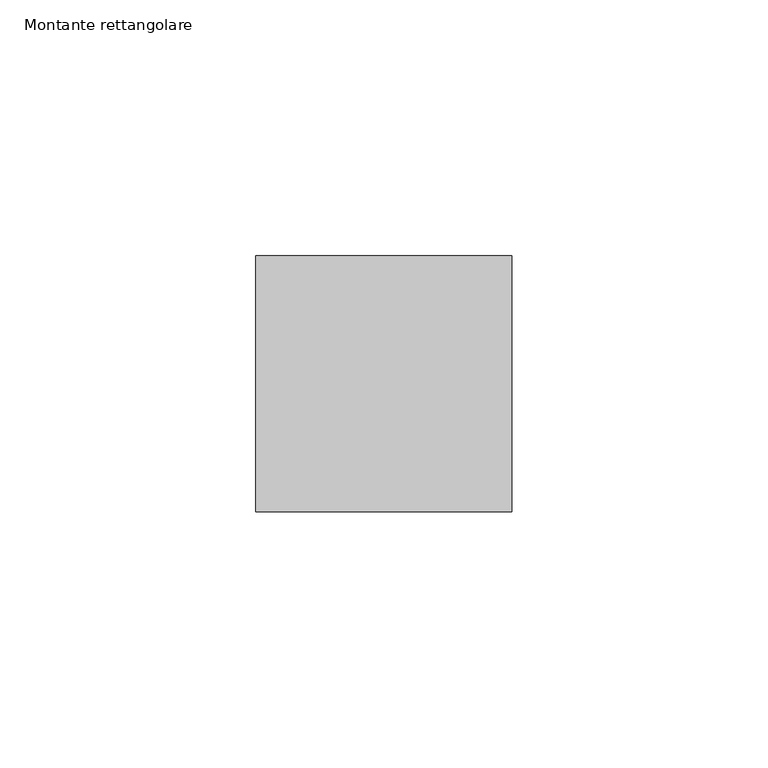
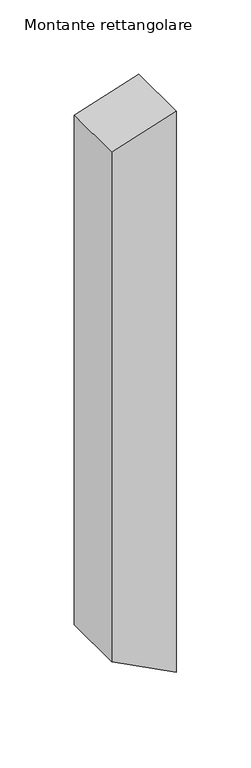
"""IFC4 building model written with IfcOpenShell, lengths in millimetres: member geometry, Montante rettangolare."""

from ifc_helpers import new_model, si_unit, frame, origin, place, context, project, spatial, polyline, outline, extrude, source, transform, mapped, element, save


def montante_rettangolare_10f6373e(model_context):
    return source(origin(), model_context, "Body", "SweptSolid", [
        extrude(outline(polyline([(0.0, 0.0), (-15.7649394, -50.0), (-433.4066139, -50.0), (-459.4349664, 0.0), (0.0, 0.0)])), frame((0.0, -25.0, 0.0), z_axis=(0.0, 1.0, 0.0), x_axis=(0.0, 0.0, 1.0)), (0.0, 0.0, 1.0), 50.0),
    ])


if __name__ == "__main__":
    model = new_model("IFC4")
    model_context = context("Model", 3, world=origin())
    ifc_project = project(units=[si_unit("LENGTHUNIT", "METRE", prefix="MILLI")], contexts=[model_context])
    site = spatial("IfcSite", under=ifc_project)
    building = spatial("IfcBuilding", under=site)
    placement = place(None, origin())
    montante_rettangolare_shape = montante_rettangolare_10f6373e(model_context)
    element("IfcMember", 1, ObjectType="Montante rettangolare", at=placement, inside=building, context=model_context, shape_type="MappedRepresentation", body=[
        mapped(montante_rettangolare_shape, transform((0.0, 0.0, 0.0), x_axis=(1.0, 0.0, 0.0), y_axis=(0.0, 1.0, 0.0), z_axis=(0.0, 0.0, 1.0))),
    ])
    save(model, "model.ifc")
